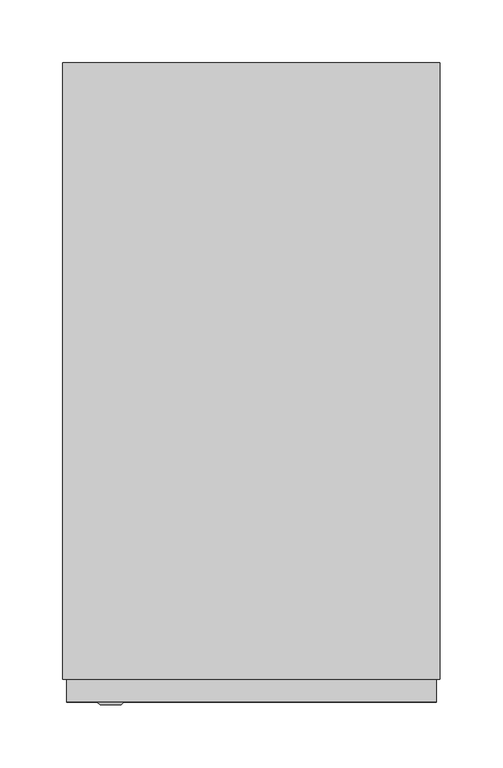
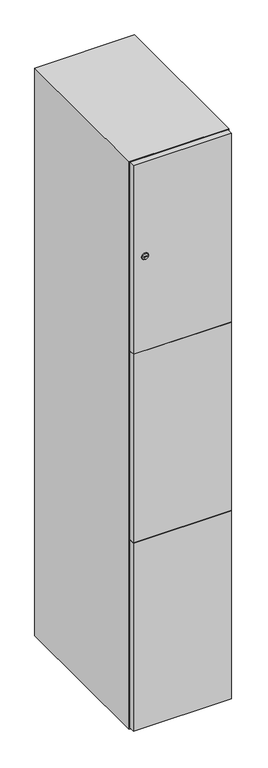
"""IFC4 building model written with IfcOpenShell, lengths in millimetres: furniture geometry."""

from ifc_helpers import new_model, si_unit, point, frame, frame_2d, origin, place, context, project, spatial, polyline, circle_curve, trimmed, segment, composite_curve, outline, extrude, faceted_brep, source, transform, mapped, element, save
from ifc_brep_helpers import plane_surface, revolved_surface, advanced_brep


def furniture_0b965cde(model_context):
    return source(origin(), model_context, "Body", "SolidModel", [
        extrude(outline(composite_curve([segment(trimmed(circle_curve(frame_2d((1598.0, -188.7989466)), 7.0), [point((1605.0, -188.7989466))], [point((1591.0, -188.7989466))], False, "CARTESIAN"), True, "CONTINUOUS"), segment(polyline([(1591.0, -188.7989466), (1591.0, -160.7989466)]), True, "CONTINUOUS"), segment(trimmed(circle_curve(frame_2d((1598.0, -160.7989466)), 7.0), [point((1591.0, -160.7989466))], [point((1605.0, -160.7989466))], False, "CARTESIAN"), True, "CONTINUOUS"), segment(polyline([(1605.0, -160.7989466), (1605.0, -188.7989466)]), True, "CONTINUOUS")], self_intersect=False)), frame((0.0, -245.0, 0.0), z_axis=(0.0, 1.0, 0.0), x_axis=(0.0, 0.0, 1.0)), (0.0, 0.0, 1.0), 2.0),
        advanced_brep(
        [(-153.5, -265.2, 1598.0), (-170.5, -265.2, 1598.0), (-167.0, -265.2, 1596.75), (-167.0, -265.2, 1599.25), (-157.0, -265.2, 1599.25), (-157.0, -265.2, 1596.75), (-151.5, -263.0, 1598.0), (-172.5, -263.0, 1598.0), (-167.0, -263.0, 1599.25), (-167.0, -263.0, 1596.75), (-157.0, -263.0, 1596.75), (-157.0, -263.0, 1599.25)],
        [
            (0, 1, circle_curve(frame((-162.0, -265.2, 1598.0), z_axis=(0.0, -1.0, 0.0), x_axis=(1.0, 0.0, 0.0)), 8.5)),
            (1, 0, circle_curve(frame((-162.0, -265.2, 1598.0), z_axis=(0.0, -1.0, 0.0), x_axis=(-1.0, 0.0, 0.0)), 8.5)),
            (2, 3),
            (3, 4),
            (4, 5),
            (5, 2),
            (6, 7, circle_curve(frame((-162.0, -263.0, 1598.0), z_axis=(0.0, 1.0, 0.0), x_axis=(-1.0, 0.0, 0.0)), 10.5)),
            (7, 6, circle_curve(frame((-162.0, -263.0, 1598.0), z_axis=(0.0, 1.0, 0.0), x_axis=(1.0, 0.0, 0.0)), 10.5)),
            (8, 9),
            (9, 10),
            (10, 11),
            (11, 8),
            (0, 6),
            (7, 1),
            (8, 3),
            (2, 9),
            (11, 4),
            (10, 5),
        ],
        [
            plane_surface(frame((-162.0, -265.2, 1598.0), z_axis=(0.0, -1.0, 0.0), x_axis=(0.0, 0.0, 1.0))),
            plane_surface(frame((-162.0, -263.0, 1598.0), z_axis=(0.0, 1.0, 0.0), x_axis=(0.0, 0.0, 1.0))),
            revolved_surface(polyline([(-153.5, -265.2, 1598.0), (-151.5, -263.0, 1598.0)]), (-162.0, -274.55, 1598.0), (0.0, 1.0, 0.0)),
            revolved_surface(polyline([(-170.5, -265.2, 1598.0), (-172.5, -263.0, 1598.0)]), (-162.0, -274.55, 1598.0), (0.0, 1.0, 0.0)),
            plane_surface(frame((-167.0, -263.0, 1596.75), z_axis=(1.0, 0.0, 0.0), x_axis=(0.0, -1.0, 0.0))),
            plane_surface(frame((-167.0, -263.0, 1599.25), z_axis=(0.0, 0.0, -1.0), x_axis=(0.0, -1.0, 0.0))),
            plane_surface(frame((-157.0, -263.0, 1599.25), z_axis=(-1.0, 0.0, 0.0), x_axis=(0.0, -1.0, 0.0))),
            plane_surface(frame((-157.0, -263.0, 1596.75), z_axis=(0.0, 0.0, 1.0), x_axis=(0.0, -1.0, 0.0))),
        ],
        [
            (0, [[1, 2], [3, 4, 5, 6]]),
            (1, [[7, 8], [9, 10, 11, 12]]),
            (2, [[-1, 13, -8, 14]]),
            (3, [[-2, -14, -7, -13]]),
            (4, [[15, -3, 16, -9]]),
            (5, [[-15, -12, 17, -4]]),
            (6, [[-17, -11, 18, -5]]),
            (7, [[-16, -6, -18, -10]]),
        ],
    ),
        extrude(outline(polyline([(97.0, -245.0), (97.0, -263.0), (-197.0, -263.0), (-197.0, -245.0), (97.0, -245.0)])), frame((0.0, 0.0, 701.5), z_axis=(0.0, 0.0, 1.0), x_axis=(1.0, 0.0, 0.0)), (0.0, 0.0, 1.0), 597.0),
        extrude(outline(polyline([(-197.0, -263.0), (-197.0, -245.0), (97.0, -245.0), (97.0, -263.0), (-197.0, -263.0)])), frame((0.0, 0.0, 1299.5), z_axis=(0.0, 0.0, 1.0), x_axis=(1.0, 0.0, 0.0)), (0.0, 0.0, 1.0), 597.5),
        extrude(outline(polyline([(97.0, -245.0), (97.0, -263.0), (-197.0, -263.0), (-197.0, -245.0), (97.0, -245.0)])), frame((0.0, 0.0, 103.0), z_axis=(0.0, 0.0, 1.0), x_axis=(1.0, 0.0, 0.0)), (0.0, 0.0, 1.0), 597.5),
        extrude(outline(polyline([(82.0, 227.0), (82.0, -227.0), (-182.0, -227.0), (-182.0, 227.0), (82.0, 227.0)])), frame((0.0, 0.0, 1285.0), z_axis=(0.0, 0.0, 1.0), x_axis=(1.0, 0.0, 0.0)), (0.0, 0.0, 1.0), 18.0),
        extrude(outline(polyline([(-182.0, 227.0), (82.0, 227.0), (82.0, -227.0), (-182.0, -227.0), (-182.0, 227.0)])), frame((0.0, 0.0, 697.0), z_axis=(0.0, 0.0, 1.0), x_axis=(1.0, 0.0, 0.0)), (0.0, 0.0, 1.0), 18.0),
        faceted_brep([(100.0, -245.0, 100.0), (100.0, -245.0, 1900.0), (-200.0, -245.0, 1900.0), (-200.0, -245.0, 100.0), (82.0, -245.0, 1882.0), (82.0, -245.0, 118.0), (-182.0, -245.0, 118.0), (-182.0, -245.0, 1882.0), (100.0, 245.0, 100.0), (-200.0, 245.0, 100.0), (100.0, 245.0, 1900.0), (-200.0, 245.0, 1900.0), (82.0, 227.0, 1882.0), (82.0, 227.0, 118.0), (-200.0, 245.0, 1882.0), (-182.0, 227.0, 1882.0), (-182.0, 227.0, 118.0)], [[[0, 1, 2, 3], [4, 5, 6, 7]], [[8, 0, 3, 9]], [[1, 0, 8, 10]], [[1, 10, 11, 2]], [[4, 12, 13, 5]], [[9, 3, 2, 11, 14]], [[10, 8, 9, 14, 11]], [[12, 15, 16, 13]], [[15, 7, 6, 16]], [[4, 7, 15, 12]], [[6, 5, 13, 16]]]),
    ])


if __name__ == "__main__":
    model = new_model("IFC4")
    model_context = context("Model", 3, world=origin())
    ifc_project = project(units=[si_unit("LENGTHUNIT", "METRE", prefix="MILLI")], contexts=[model_context])
    site = spatial("IfcSite", under=ifc_project)
    building = spatial("IfcBuilding", under=site)
    placement = place(None, origin())
    furniture_shape = furniture_0b965cde(model_context)
    element("IfcFurniture", 1, at=placement, inside=building, context=model_context, shape_type="MappedRepresentation", body=[
        mapped(furniture_shape, transform((0.0, 0.0, 0.0), x_axis=(1.0, 0.0, 0.0), y_axis=(0.0, 1.0, 0.0), z_axis=(0.0, 0.0, 1.0))),
    ])
    save(model, "model.ifc")
